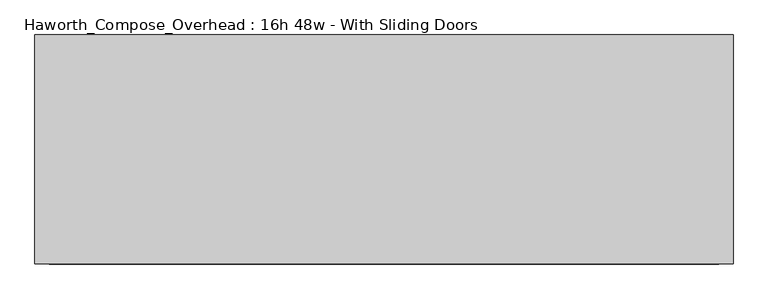
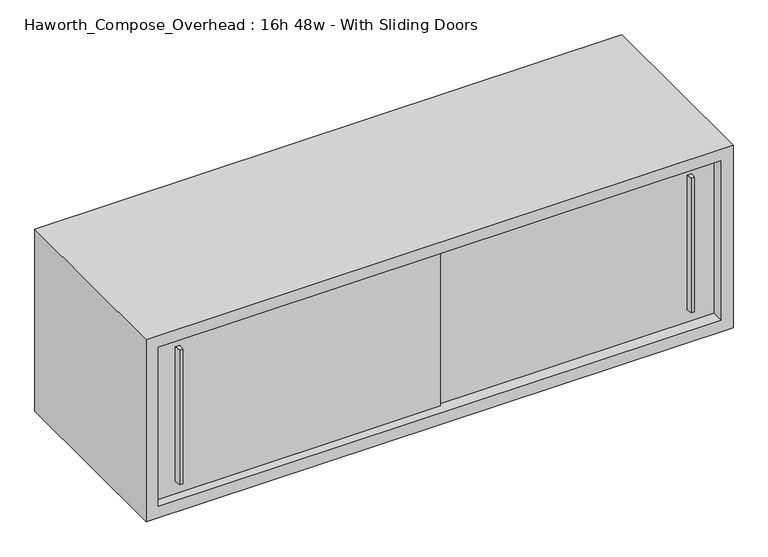
"""IFC4 building model written with IfcOpenShell, lengths in millimetres: furniture geometry, Haworth_Compose_Overhead : 16h 48w - With Sliding Doors."""

from ifc_helpers import new_model, si_unit, frame, origin, place, context, project, spatial, polyline, outline, extrude, source, transform, mapped, element, save


def haworth_compose_overhead_16h_48w_with_sliding_doors_5972d33f(model_context):
    return source(origin(), model_context, "Body", "SweptSolid", [
        extrude(outline(polyline([(701.6750004, -387.3499879), (695.3249996, -387.3499879), (693.7375011, -374.65), (703.2624989, -374.65), (701.6750004, -387.3499879)])), frame((0.0, 0.0, 1322.3875), z_axis=(0.0, 0.0, 1.0), x_axis=(1.0, 0.0, 0.0)), (0.0, 0.0, 1.0), 295.275),
        extrude(outline(polyline([(-365.1249996, -393.6999879), (-371.4750004, -393.6999879), (-373.0624989, -381.0), (-363.5375011, -381.0), (-365.1249996, -393.6999879)])), frame((0.0, 0.0, 1322.3875), z_axis=(0.0, 0.0, 1.0), x_axis=(1.0, 0.0, 0.0)), (0.0, 0.0, 1.0), 295.275),
        extrude(outline(polyline([(-419.1, -374.65), (177.8, -374.65), (177.8, -381.0), (-419.1, -381.0), (-419.1, -374.65)])), frame((0.0, 0.0, 1295.4), z_axis=(0.0, 0.0, 1.0), x_axis=(1.0, 0.0, 0.0)), (0.0, 0.0, 1.0), 349.25),
        extrude(outline(polyline([(152.4, -368.3), (749.3, -368.3), (749.3, -374.65), (152.4, -374.65), (152.4, -368.3)])), frame((0.0, 0.0, 1295.4), z_axis=(0.0, 0.0, 1.0), x_axis=(1.0, 0.0, 0.0)), (0.0, 0.0, 1.0), 349.25),
        extrude(outline(polyline([(749.3, -6.35), (-419.1, -6.35), (-419.1, 0.0), (749.3, 0.0), (749.3, -6.35)])), frame((0.0, 0.0, 1295.4), z_axis=(0.0, 0.0, 1.0), x_axis=(1.0, 0.0, 0.0)), (0.0, 0.0, 1.0), 349.25),
        extrude(outline(polyline([(1270.0, 774.7), (1670.05, 774.7), (1670.05, -444.5), (1270.0, -444.5), (1270.0, 774.7)]), holes=[polyline([(1644.65, 749.3), (1295.4, 749.3), (1295.4, -419.1), (1644.65, -419.1), (1644.65, 749.3)])]), frame((0.0, -400.05, 0.0), z_axis=(0.0, 1.0, 0.0), x_axis=(0.0, 0.0, 1.0)), (0.0, 0.0, 1.0), 400.05),
    ])


if __name__ == "__main__":
    model = new_model("IFC4")
    model_context = context("Model", 3, world=origin())
    ifc_project = project(units=[si_unit("LENGTHUNIT", "METRE", prefix="MILLI")], contexts=[model_context])
    site = spatial("IfcSite", under=ifc_project)
    building = spatial("IfcBuilding", under=site)
    placement = place(None, origin())
    haworth_compose_overhead_16h_48w_with_sliding_doors_shape = haworth_compose_overhead_16h_48w_with_sliding_doors_5972d33f(model_context)
    element("IfcFurniture", 1, ObjectType="Haworth_Compose_Overhead : 16h 48w - With Sliding Doors", at=placement, inside=building, context=model_context, shape_type="MappedRepresentation", body=[
        mapped(haworth_compose_overhead_16h_48w_with_sliding_doors_shape, transform((0.0, 0.0, 0.0), x_axis=(1.0, 0.0, 0.0), y_axis=(0.0, 1.0, 0.0), z_axis=(0.0, 0.0, 1.0))),
    ])
    save(model, "model.ifc")
